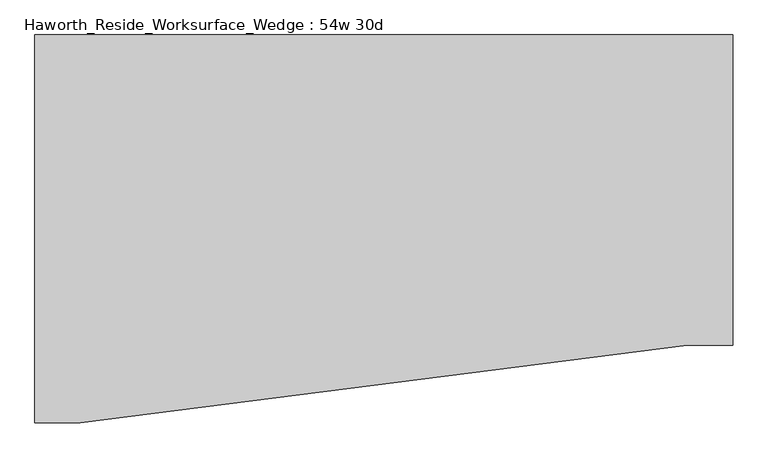
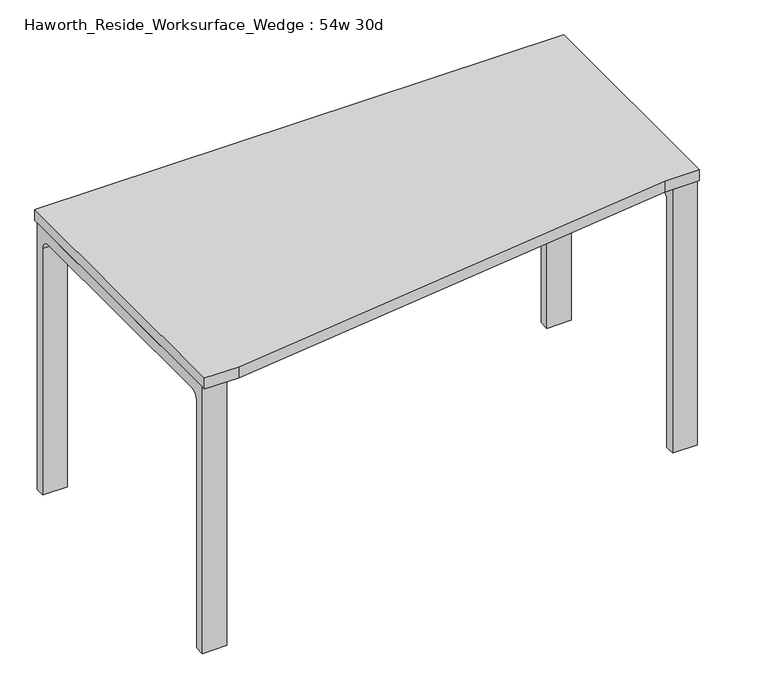
"""IFC4 building model written with IfcOpenShell, lengths in millimetres: furniture geometry, Haworth_Reside_Worksurface_Wedge : 54w 30d."""

from ifc_helpers import new_model, si_unit, point, frame, frame_2d, origin, place, context, project, spatial, polyline, circle_curve, trimmed, segment, composite_curve, outline, extrude, source, transform, mapped, element, save


def haworth_reside_worksurface_wedge_54w_30d_c8f2a452(model_context):
    return source(origin(), model_context, "Body", "SweptSolid", [
        extrude(outline(composite_curve([segment(trimmed(circle_curve(frame_2d((396.875, 676.275)), 25.4), [point((422.275, 676.275))], [point((396.875, 701.675))], True, "CARTESIAN"), True, "CONTINUOUS"), segment(polyline([(396.875, 701.675), (-92.075, 701.675)]), True, "CONTINUOUS"), segment(trimmed(circle_curve(frame_2d((-92.075, 676.275)), 25.4), [point((-92.075, 701.675))], [point((-117.475, 676.275))], True, "CARTESIAN"), True, "CONTINUOUS"), segment(polyline([(-117.475, 676.275), (-117.475, 0.0), (-142.875, 0.0), (-142.875, 731.8375), (447.675, 731.8375), (447.675, 0.0), (422.275, 0.0), (422.275, 676.275)]), True, "CONTINUOUS")], self_intersect=False)), frame((622.3, 0.0, 0.0), z_axis=(1.0, 0.0, 0.0), x_axis=(0.0, 1.0, 0.0)), (0.0, 0.0, 1.0), 63.5),
        extrude(outline(composite_curve([segment(trimmed(circle_curve(frame_2d((396.875, 676.275)), 25.4), [point((422.275, 676.275))], [point((396.875, 701.675))], True, "CARTESIAN"), True, "CONTINUOUS"), segment(polyline([(396.875, 701.675), (-244.475, 701.675)]), True, "CONTINUOUS"), segment(trimmed(circle_curve(frame_2d((-244.475, 676.275)), 25.4), [point((-244.475, 701.675))], [point((-269.875, 676.275))], True, "CARTESIAN"), True, "CONTINUOUS"), segment(polyline([(-269.875, 676.275), (-269.875, 0.0), (-295.275, 0.0), (-295.275, 731.8375), (447.675, 731.8375), (447.675, 0.0), (422.275, 0.0), (422.275, 676.275)]), True, "CONTINUOUS")], self_intersect=False)), frame((-685.8, 0.0, 0.0), z_axis=(1.0, 0.0, 0.0), x_axis=(0.0, 1.0, 0.0)), (0.0, 0.0, 1.0), 63.5),
        extrude(outline(polyline([(685.8, 457.2), (685.8, -152.4), (596.9, -152.4), (-596.9, -304.8), (-685.8, -304.8), (-685.8, 457.2), (685.8, 457.2)])), frame((0.0, 0.0, 731.8375), z_axis=(0.0, 0.0, 1.0), x_axis=(1.0, 0.0, 0.0)), (0.0, 0.0, 1.0), 30.1625),
    ])


if __name__ == "__main__":
    model = new_model("IFC4")
    model_context = context("Model", 3, world=origin())
    ifc_project = project(units=[si_unit("LENGTHUNIT", "METRE", prefix="MILLI")], contexts=[model_context])
    site = spatial("IfcSite", under=ifc_project)
    building = spatial("IfcBuilding", under=site)
    placement = place(None, origin())
    haworth_reside_worksurface_wedge_54w_30d_shape = haworth_reside_worksurface_wedge_54w_30d_c8f2a452(model_context)
    element("IfcFurniture", 1, ObjectType="Haworth_Reside_Worksurface_Wedge : 54w 30d", at=placement, inside=building, context=model_context, shape_type="MappedRepresentation", body=[
        mapped(haworth_reside_worksurface_wedge_54w_30d_shape, transform((0.0, 0.0, 0.0), x_axis=(1.0, 0.0, 0.0), y_axis=(0.0, 1.0, 0.0), z_axis=(0.0, 0.0, 1.0))),
    ])
    save(model, "model.ifc")
